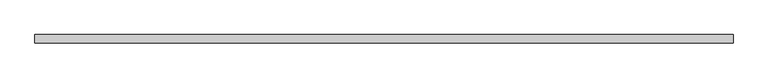
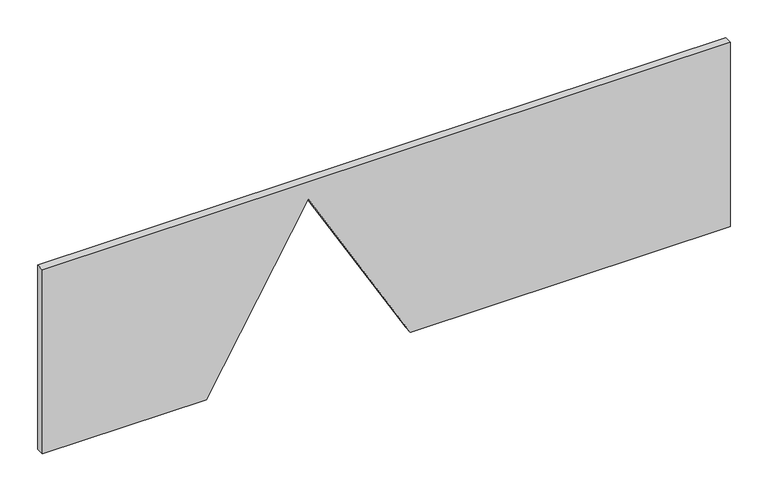
"""IFC4 building model written with IfcOpenShell, lengths in millimetres: proxy geometry."""

import ifcopenshell
import ifcopenshell.guid

model = None  # the IFC model being written
_history = None  # IfcOwnerHistory: only IFC2X3 demands one
_inside = {}  # id of a spatial element -> (the spatial element, [elements in it])
_under = {}  # id of a project, library or spatial element -> (it, [spatial elements below it])
_declared = {}  # id of a project -> (the project, [libraries it declares])
_typed = {}  # id of a type object -> (the type object, [elements of that type])
_made_of = {}  # id of a material, layer set ... -> (it, [elements and type objects made of it])


def new_model(schema):
    """Start an empty IFC model of exactly this schema.

    Asked for "IFC4X3", IfcOpenShell would pick the latest addendum, in which some entities
    have other attributes; the version numbers below select the first issue.
    IFC2X3 requires an IfcOwnerHistory on every rooted entity: one is made here for all.
    """
    global model, _history
    if schema == "IFC4X3":
        model = ifcopenshell.file(schema_version=(4, 3, 0, 0))
    else:
        model = ifcopenshell.file(schema=schema)
    _inside.clear()
    _under.clear()
    _declared.clear()
    _typed.clear()
    _made_of.clear()
    _history = None
    if model.schema == "IFC2X3":
        org = make("IfcOrganization", Name="unknown")
        user = make(
            "IfcPersonAndOrganization",
            ThePerson=make("IfcPerson", FamilyName="unknown"),
            TheOrganization=org,
        )
        app = make(
            "IfcApplication",
            ApplicationDeveloper=org,
            Version="unknown",
            ApplicationFullName="unknown",
            ApplicationIdentifier="unknown",
        )
        _history = make(
            "IfcOwnerHistory",
            OwningUser=user,
            OwningApplication=app,
            ChangeAction="ADDED",
            CreationDate=0,
        )
    return model


def make(cls, **values):
    """One entity of the class cls with the attributes given. An attribute that is None is left unset."""
    return model.create_entity(
        cls, **{name: value for name, value in values.items() if value is not None}
    )


def rooted(cls, **values):
    """An entity with a GlobalId (a new one), such as an element, a storey or a relation."""
    return make(cls, GlobalId=ifcopenshell.guid.new(), OwnerHistory=_history, **values)


def si_unit(unit_type, name, prefix=None):
    """IfcSIUnit, for example si_unit("LENGTHUNIT", "METRE", prefix="MILLI")."""
    return make("IfcSIUnit", UnitType=unit_type, Prefix=prefix, Name=name)


def assignment(units):
    """IfcUnitAssignment: the units of a project."""
    return None if units is None else make("IfcUnitAssignment", Units=units)


def point(xyz):
    """IfcCartesianPoint."""
    return None if xyz is None else make("IfcCartesianPoint", Coordinates=xyz)


def direction(xyz):
    """IfcDirection."""
    return None if xyz is None else make("IfcDirection", DirectionRatios=xyz)


def frame(location, z_axis=None, x_axis=None):
    """IfcAxis2Placement3D, a coordinate frame: its origin and axes. An axis left out is left unset."""
    return make(
        "IfcAxis2Placement3D",
        Location=point(location),
        Axis=direction(z_axis),
        RefDirection=direction(x_axis),
    )


def origin():
    """The frame at (0, 0, 0) with its axes left unset."""
    return frame((0.0, 0.0, 0.0))


def place(relative_to, where):
    """IfcLocalPlacement: puts the frame where relative to a parent placement (None: the world)."""
    return make(
        "IfcLocalPlacement", PlacementRelTo=relative_to, RelativePlacement=where
    )


def context(
    kind, dimensions, precision=None, world=None, true_north=None, identifier=None
):
    """IfcGeometricRepresentationContext, for example the 3D "Model" context."""
    return make(
        "IfcGeometricRepresentationContext",
        ContextIdentifier=identifier,
        ContextType=kind,
        CoordinateSpaceDimension=dimensions,
        Precision=precision,
        WorldCoordinateSystem=world,
        TrueNorth=true_north,
    )


def project(units=None, contexts=None):
    """IfcProject with its units and contexts."""
    return rooted(
        "IfcProject",
        Name="project",
        RepresentationContexts=contexts,
        UnitsInContext=assignment(units),
    )


def spatial(cls, under=None, at=None, **own):
    """A site, building, storey or space (cls), placed at a placement, below another one or the project."""
    s = rooted(cls, ObjectPlacement=at, **own)
    if under is not None:
        _under.setdefault(under.id(), (under, []))[1].append(s)
    return s


def polyline(points):
    """IfcPolyline through the points."""
    return make("IfcPolyline", Points=[point(p) for p in points])


def outline(outer, holes=None, kind="AREA"):
    """IfcArbitraryClosedProfileDef: a profile drawn as a closed curve; with holes, ...WithVoids."""
    if holes is None:
        return make("IfcArbitraryClosedProfileDef", ProfileType=kind, OuterCurve=outer)
    return make(
        "IfcArbitraryProfileDefWithVoids",
        ProfileType=kind,
        OuterCurve=outer,
        InnerCurves=holes,
    )


def extrude(swept, where, along, depth):
    """IfcExtrudedAreaSolid: the profile swept, set in the frame where, extruded along a direction by depth."""
    return make(
        "IfcExtrudedAreaSolid",
        SweptArea=swept,
        Position=where,
        ExtrudedDirection=direction(along),
        Depth=depth,
    )


def shape(context_of_items, identifier, shape_type, items):
    """IfcShapeRepresentation: the items that make up one representation, for example the "Body"."""
    return make(
        "IfcShapeRepresentation",
        ContextOfItems=context_of_items,
        RepresentationIdentifier=identifier,
        RepresentationType=shape_type,
        Items=items,
    )


def source(mapping_origin, context_of_items, identifier, shape_type, items):
    """IfcRepresentationMap: a shape defined once, which mapped items show again and again."""
    return make(
        "IfcRepresentationMap",
        MappingOrigin=mapping_origin,
        MappedRepresentation=shape(context_of_items, identifier, shape_type, items),
    )


def transform(
    local_origin,
    x_axis=None,
    y_axis=None,
    z_axis=None,
    scale=None,
    scale2=None,
    scale3=None,
    uniform=True,
):
    """IfcCartesianTransformationOperator3D, or its non-uniform kind. x_axis, y_axis, z_axis: its Axis1, 2, 3."""
    if uniform:
        return make(
            "IfcCartesianTransformationOperator3D",
            Axis1=direction(x_axis),
            Axis2=direction(y_axis),
            LocalOrigin=point(local_origin),
            Scale=scale,
            Axis3=direction(z_axis),
        )
    return make(
        "IfcCartesianTransformationOperator3DnonUniform",
        Axis1=direction(x_axis),
        Axis2=direction(y_axis),
        LocalOrigin=point(local_origin),
        Scale=scale,
        Axis3=direction(z_axis),
        Scale2=scale2,
        Scale3=scale3,
    )


def mapped(mapping_source, mapping_target):
    """IfcMappedItem: shows the shape of a source again, moved by a transform."""
    return make(
        "IfcMappedItem", MappingSource=mapping_source, MappingTarget=mapping_target
    )


def made_of(thing, what):
    """Note that an element or type object is made of a material, layer set ...; save() writes the relation."""
    if what is not None:
        _made_of.setdefault(what.id(), (what, []))[1].append(thing)
    return thing


def element(
    cls,
    number,
    at=None,
    inside=None,
    cuts=None,
    type_object=None,
    material=None,
    context=None,
    identifier="Body",
    shape_type=None,
    held_by="IfcProductDefinitionShape",
    body=None,
    shapes=None,
    **own,
):
    """One element of the class cls, such as IfcWall. Its Tag is "e" and its number.

    at: its placement. inside: the storey or other place that contains it. cuts: it is an
    opening in that element (IfcRelVoidsElement). A single representation is given by context,
    identifier, shape_type and body (its items); several are given by shapes. held_by: the class
    of the entity that holds the representations. save() writes the other relations.
    """
    e = rooted(cls, Tag="e%d" % number, ObjectPlacement=at, **own)
    if body is not None:
        shapes = [shape(context, identifier, shape_type, body)]
    if shapes is not None:
        e.Representation = make(held_by, Representations=shapes)
    if inside is not None:
        _inside.setdefault(inside.id(), (inside, []))[1].append(e)
    if cuts is not None:
        rooted(
            "IfcRelVoidsElement", RelatingBuildingElement=cuts, RelatedOpeningElement=e
        )
    if type_object is not None:
        _typed.setdefault(type_object.id(), (type_object, []))[1].append(e)
    return made_of(e, material)


def aggregate(whole, parts):
    """IfcRelAggregates: a whole, such as a stair, and the parts it consists of."""
    return rooted("IfcRelAggregates", RelatingObject=whole, RelatedObjects=parts)


def save(model, path):
    """Write the relations noted so far, then the file.

    IfcRelAggregates (storeys below a building ...), IfcRelContainedInSpatialStructure (elements
    in a storey), IfcRelDefinesByType, IfcRelAssociatesMaterial and IfcRelDeclares: one each for
    every whole, place, type object, material and project.
    """
    for whole, parts in _under.values():
        aggregate(whole, parts)
    for where, things in _inside.values():
        rooted(
            "IfcRelContainedInSpatialStructure",
            RelatedElements=things,
            RelatingStructure=where,
        )
    for kind, things in _typed.values():
        rooted("IfcRelDefinesByType", RelatedObjects=things, RelatingType=kind)
    for what, things in _made_of.values():
        rooted("IfcRelAssociatesMaterial", RelatedObjects=things, RelatingMaterial=what)
    for by, libraries in _declared.values():
        rooted("IfcRelDeclares", RelatingContext=by, RelatedDefinitions=libraries)
    model.write(path)


def generic_models_0ecf2895(model_context):
    return source(origin(), model_context, "Body", "SweptSolid", [
        extrude(outline(polyline([(2880.6092564, 228988.1228488), (2880.6092564, 227934.0228488), (2582.1592564, 227934.0228488), (2582.1592564, 228184.8478488), (2853.1256627, 228341.2903764), (2582.1592564, 228497.732904), (2582.1592564, 228988.1228488), (2880.6092564, 228988.1228488)])), frame((0.0, 158623.7596581, 0.0), z_axis=(0.0, 1.0, 0.0), x_axis=(0.0, 0.0, 1.0)), (0.0, 0.0, 1.0), 12.7),
    ])


if __name__ == "__main__":
    model = new_model("IFC4")
    model_context = context("Model", 3, world=origin())
    ifc_project = project(units=[si_unit("LENGTHUNIT", "METRE", prefix="MILLI")], contexts=[model_context])
    site = spatial("IfcSite", under=ifc_project)
    building = spatial("IfcBuilding", under=site)
    placement = place(None, origin())
    generic_models_shape = generic_models_0ecf2895(model_context)
    element("IfcBuildingElementProxy", 1, Name="Generic Models", at=placement, inside=building, context=model_context, shape_type="MappedRepresentation", body=[
        mapped(generic_models_shape, transform((0.0, 0.0, 0.0), x_axis=(1.0, 0.0, 0.0), y_axis=(0.0, 1.0, 0.0), z_axis=(0.0, 0.0, 1.0))),
    ])
    save(model, "model.ifc")
